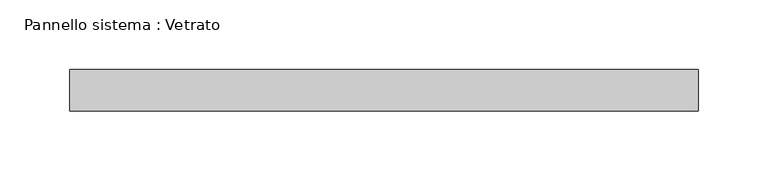
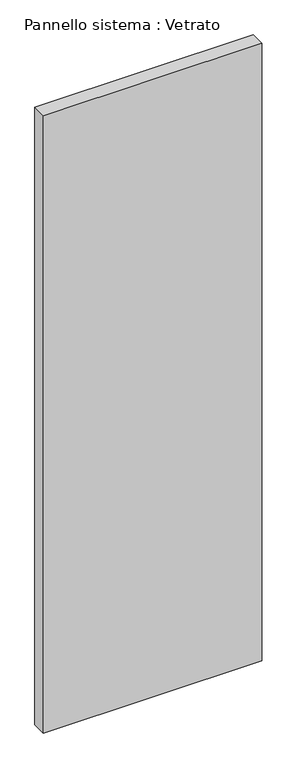
"""IFC4 building model written with IfcOpenShell, lengths in millimetres: plate geometry, Pannello sistema : Vetrato."""

from ifc_helpers import new_model, si_unit, origin, origin_with_axes, place, context, project, spatial, polyline, outline, extrude, source, transform, mapped, element, save


def pannello_sistema_vetrato_2bda9c85(model_context):
    return source(origin(), model_context, "Body", "SweptSolid", [
        extrude(outline(polyline([(225.8286893, -15.0), (-225.8286893, -15.0), (-225.8286893, 15.0), (225.8286893, 15.0), (225.8286893, -15.0)])), origin_with_axes(), (0.0, 0.0, 1.0), 1350.0),
    ])


if __name__ == "__main__":
    model = new_model("IFC4")
    model_context = context("Model", 3, world=origin())
    ifc_project = project(units=[si_unit("LENGTHUNIT", "METRE", prefix="MILLI")], contexts=[model_context])
    site = spatial("IfcSite", under=ifc_project)
    building = spatial("IfcBuilding", under=site)
    placement = place(None, origin())
    pannello_sistema_vetrato_shape = pannello_sistema_vetrato_2bda9c85(model_context)
    element("IfcPlate", 1, ObjectType="Pannello sistema : Vetrato", at=placement, inside=building, context=model_context, shape_type="MappedRepresentation", body=[
        mapped(pannello_sistema_vetrato_shape, transform((0.0, 0.0, 0.0), x_axis=(1.0, 0.0, 0.0), y_axis=(0.0, 1.0, 0.0), z_axis=(0.0, 0.0, 1.0))),
    ])
    save(model, "model.ifc")
